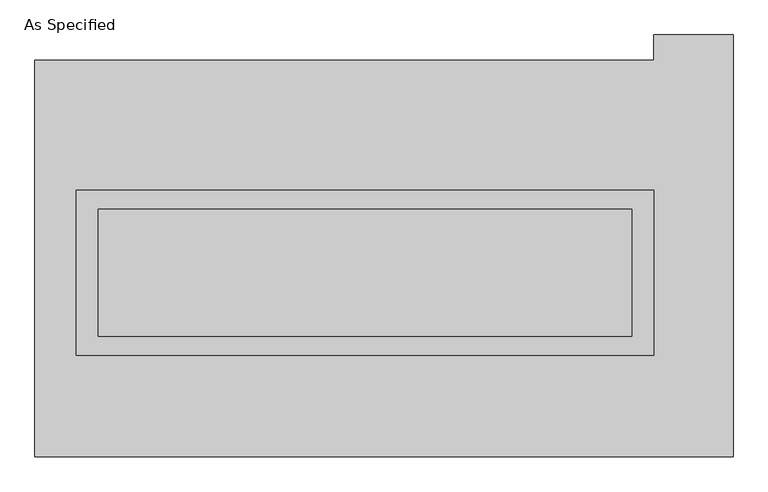
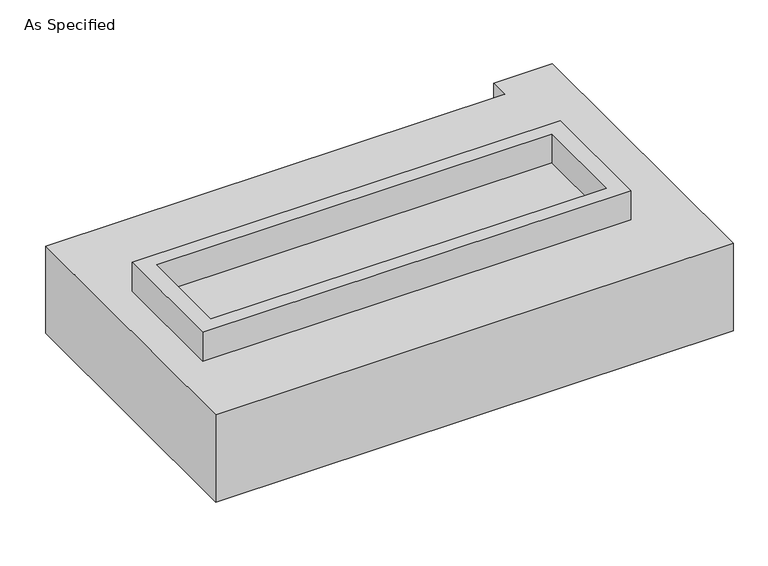
"""IFC4 building model written with IfcOpenShell, lengths in millimetres: proxy geometry, As Specified."""

from ifc_helpers import new_model, si_unit, frame, origin, place, context, project, spatial, polyline, outline, extrude, source, transform, mapped, element, save


def as_specified_ff47c4dc(model_context):
    return source(origin(), model_context, "Body", "SweptSolid", [
        extrude(outline(polyline([(1155.7, 273.05), (1155.7, -387.35), (-1155.7, -387.35), (-1155.7, 273.05), (1155.7, 273.05)]), holes=[polyline([(1066.8, 196.85), (-1066.8, 196.85), (-1066.8, -311.15), (1066.8, -311.15), (1066.8, 196.85)])]), frame((0.0, 0.0, -688.975), z_axis=(0.0, 0.0, 1.0), x_axis=(1.0, 0.0, 0.0)), (0.0, 0.0, 1.0), 165.1),
        extrude(outline(polyline([(1155.7, 273.05), (1155.7, -387.35), (-1155.7, -387.35), (-1155.7, 273.05), (1155.7, 273.05)]), holes=[polyline([(1066.8, 196.85), (-1066.8, 196.85), (-1066.8, -311.15), (1066.8, -311.15), (1066.8, 196.85)])]), frame((0.0, 0.0, -25.4), z_axis=(0.0, 0.0, 1.0), x_axis=(1.0, 0.0, 0.0)), (0.0, 0.0, 1.0), 165.1),
        extrude(outline(polyline([(1066.8, 196.85), (1066.8, -311.15), (-1066.8, -311.15), (-1066.8, 196.85), (1066.8, 196.85)])), frame((0.0, 0.0, -523.875), z_axis=(0.0, 0.0, 1.0), x_axis=(1.0, 0.0, 0.0)), (0.0, 0.0, 1.0), 4.9609375),
        extrude(outline(polyline([(1066.8, 196.85), (1066.8, -311.15), (-1066.8, -311.15), (-1066.8, 196.85), (1066.8, 196.85)])), frame((0.0, 0.0, -30.3609375), z_axis=(0.0, 0.0, 1.0), x_axis=(1.0, 0.0, 0.0)), (0.0, 0.0, 1.0), 4.9609375),
        extrude(outline(polyline([(1473.2, -793.75), (-1320.8, -793.75), (-1320.8, 793.75), (1155.7, 793.75), (1155.7, 895.35), (1473.2, 895.35), (1473.2, -793.75)]), holes=[polyline([(-1155.7, 273.05), (-1155.7, -387.35), (1155.7, -387.35), (1155.7, 273.05), (-1155.7, 273.05)])]), frame((0.0, 0.0, -523.875), z_axis=(0.0, 0.0, 1.0), x_axis=(1.0, 0.0, 0.0)), (0.0, 0.0, 1.0), 498.475),
    ])


if __name__ == "__main__":
    model = new_model("IFC4")
    model_context = context("Model", 3, world=origin())
    ifc_project = project(units=[si_unit("LENGTHUNIT", "METRE", prefix="MILLI")], contexts=[model_context])
    site = spatial("IfcSite", under=ifc_project)
    building = spatial("IfcBuilding", under=site)
    placement = place(None, origin())
    as_specified_shape = as_specified_ff47c4dc(model_context)
    element("IfcBuildingElementProxy", 1, Name="As Specified", ObjectType="As Specified", at=placement, inside=building, context=model_context, shape_type="MappedRepresentation", body=[
        mapped(as_specified_shape, transform((0.0, 0.0, 0.0), x_axis=(1.0, 0.0, 0.0), y_axis=(0.0, 1.0, 0.0), z_axis=(0.0, 0.0, 1.0))),
    ])
    save(model, "model.ifc")
